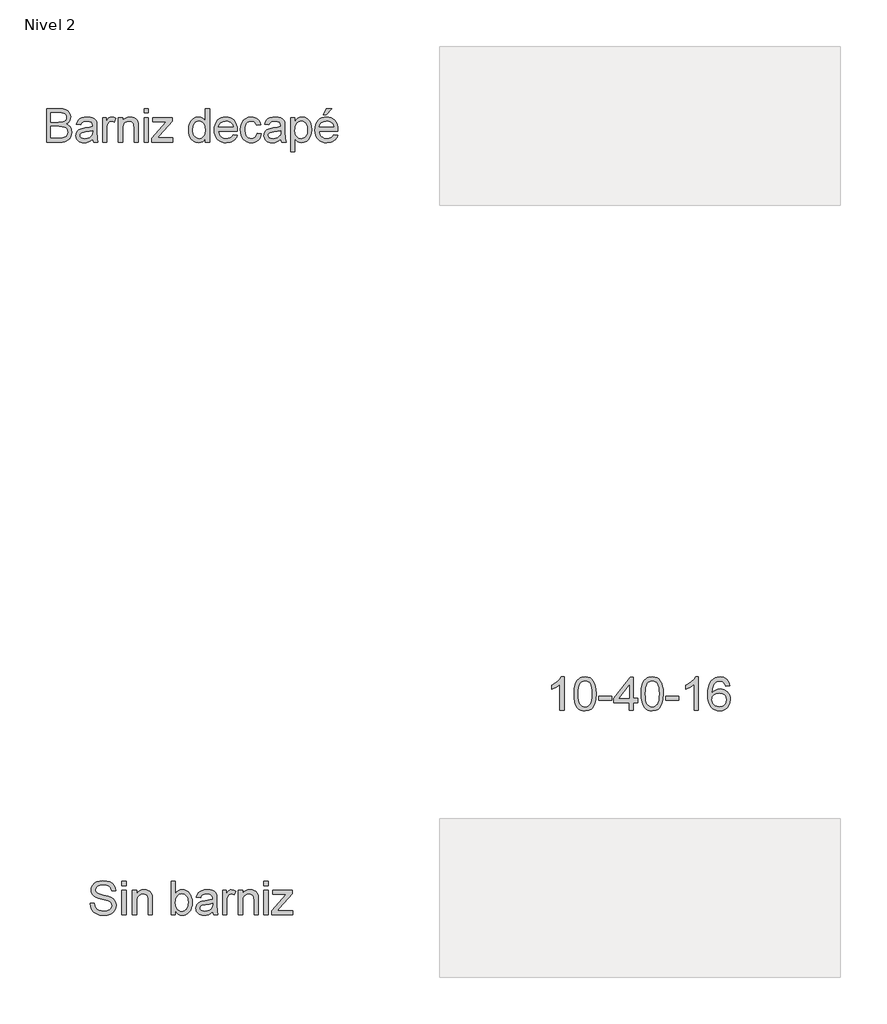
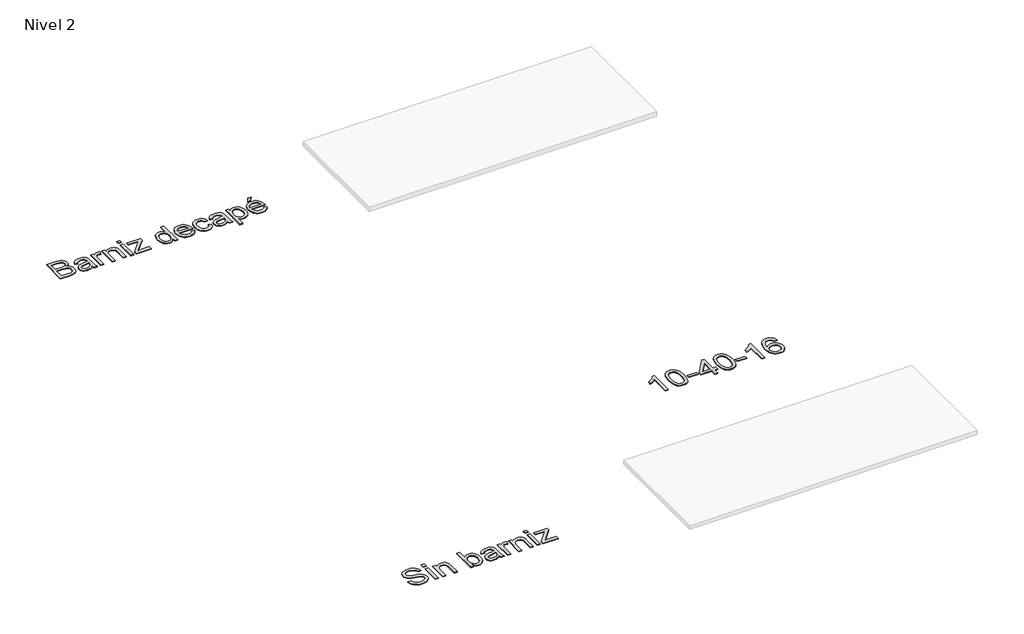
# One storey, part 11 of 51: 3 proxies.
"""IFC4 building model written with IfcOpenShell, lengths in millimetres."""

import ifcopenshell
import ifcopenshell.guid

model = None  # the IFC model being written
_history = None  # IfcOwnerHistory: only IFC2X3 demands one
_inside = {}  # id of a spatial element -> (the spatial element, [elements in it])
_under = {}  # id of a project, library or spatial element -> (it, [spatial elements below it])
_declared = {}  # id of a project -> (the project, [libraries it declares])
_typed = {}  # id of a type object -> (the type object, [elements of that type])
_made_of = {}  # id of a material, layer set ... -> (it, [elements and type objects made of it])


def new_model(schema):
    """Start an empty IFC model of exactly this schema.

    Asked for "IFC4X3", IfcOpenShell would pick the latest addendum, in which some entities
    have other attributes; the version numbers below select the first issue.
    IFC2X3 requires an IfcOwnerHistory on every rooted entity: one is made here for all.
    """
    global model, _history
    if schema == "IFC4X3":
        model = ifcopenshell.file(schema_version=(4, 3, 0, 0))
    else:
        model = ifcopenshell.file(schema=schema)
    _inside.clear()
    _under.clear()
    _declared.clear()
    _typed.clear()
    _made_of.clear()
    _history = None
    if model.schema == "IFC2X3":
        org = make("IfcOrganization", Name="unknown")
        user = make(
            "IfcPersonAndOrganization",
            ThePerson=make("IfcPerson", FamilyName="unknown"),
            TheOrganization=org,
        )
        app = make(
            "IfcApplication",
            ApplicationDeveloper=org,
            Version="unknown",
            ApplicationFullName="unknown",
            ApplicationIdentifier="unknown",
        )
        _history = make(
            "IfcOwnerHistory",
            OwningUser=user,
            OwningApplication=app,
            ChangeAction="ADDED",
            CreationDate=0,
        )
    return model


def make(cls, **values):
    """One entity of the class cls with the attributes given. An attribute that is None is left unset."""
    return model.create_entity(
        cls, **{name: value for name, value in values.items() if value is not None}
    )


def rooted(cls, **values):
    """An entity with a GlobalId (a new one), such as an element, a storey or a relation."""
    return make(cls, GlobalId=ifcopenshell.guid.new(), OwnerHistory=_history, **values)


def si_unit(unit_type, name, prefix=None):
    """IfcSIUnit, for example si_unit("LENGTHUNIT", "METRE", prefix="MILLI")."""
    return make("IfcSIUnit", UnitType=unit_type, Prefix=prefix, Name=name)


def assignment(units):
    """IfcUnitAssignment: the units of a project."""
    return None if units is None else make("IfcUnitAssignment", Units=units)


def point(xyz):
    """IfcCartesianPoint."""
    return None if xyz is None else make("IfcCartesianPoint", Coordinates=xyz)


def direction(xyz):
    """IfcDirection."""
    return None if xyz is None else make("IfcDirection", DirectionRatios=xyz)


def frame(location, z_axis=None, x_axis=None):
    """IfcAxis2Placement3D, a coordinate frame: its origin and axes. An axis left out is left unset."""
    return make(
        "IfcAxis2Placement3D",
        Location=point(location),
        Axis=direction(z_axis),
        RefDirection=direction(x_axis),
    )


def origin():
    """The frame at (0, 0, 0) with its axes left unset."""
    return frame((0.0, 0.0, 0.0))


def place(relative_to, where):
    """IfcLocalPlacement: puts the frame where relative to a parent placement (None: the world)."""
    return make(
        "IfcLocalPlacement", PlacementRelTo=relative_to, RelativePlacement=where
    )


def context(
    kind, dimensions, precision=None, world=None, true_north=None, identifier=None
):
    """IfcGeometricRepresentationContext, for example the 3D "Model" context."""
    return make(
        "IfcGeometricRepresentationContext",
        ContextIdentifier=identifier,
        ContextType=kind,
        CoordinateSpaceDimension=dimensions,
        Precision=precision,
        WorldCoordinateSystem=world,
        TrueNorth=true_north,
    )


def project(units=None, contexts=None):
    """IfcProject with its units and contexts."""
    return rooted(
        "IfcProject",
        Name="project",
        RepresentationContexts=contexts,
        UnitsInContext=assignment(units),
    )


def spatial(cls, under=None, at=None, **own):
    """A site, building, storey or space (cls), placed at a placement, below another one or the project."""
    s = rooted(cls, ObjectPlacement=at, **own)
    if under is not None:
        _under.setdefault(under.id(), (under, []))[1].append(s)
    return s


def polyline(points):
    """IfcPolyline through the points."""
    return make("IfcPolyline", Points=[point(p) for p in points])


def outline(outer, holes=None, kind="AREA"):
    """IfcArbitraryClosedProfileDef: a profile drawn as a closed curve; with holes, ...WithVoids."""
    if holes is None:
        return make("IfcArbitraryClosedProfileDef", ProfileType=kind, OuterCurve=outer)
    return make(
        "IfcArbitraryProfileDefWithVoids",
        ProfileType=kind,
        OuterCurve=outer,
        InnerCurves=holes,
    )


def extrude(swept, where, along, depth):
    """IfcExtrudedAreaSolid: the profile swept, set in the frame where, extruded along a direction by depth."""
    return make(
        "IfcExtrudedAreaSolid",
        SweptArea=swept,
        Position=where,
        ExtrudedDirection=direction(along),
        Depth=depth,
    )


def shape(context_of_items, identifier, shape_type, items):
    """IfcShapeRepresentation: the items that make up one representation, for example the "Body"."""
    return make(
        "IfcShapeRepresentation",
        ContextOfItems=context_of_items,
        RepresentationIdentifier=identifier,
        RepresentationType=shape_type,
        Items=items,
    )


def made_of(thing, what):
    """Note that an element or type object is made of a material, layer set ...; save() writes the relation."""
    if what is not None:
        _made_of.setdefault(what.id(), (what, []))[1].append(thing)
    return thing


def element(
    cls,
    number,
    at=None,
    inside=None,
    cuts=None,
    type_object=None,
    material=None,
    context=None,
    identifier="Body",
    shape_type=None,
    held_by="IfcProductDefinitionShape",
    body=None,
    shapes=None,
    **own,
):
    """One element of the class cls, such as IfcWall. Its Tag is "e" and its number.

    at: its placement. inside: the storey or other place that contains it. cuts: it is an
    opening in that element (IfcRelVoidsElement). A single representation is given by context,
    identifier, shape_type and body (its items); several are given by shapes. held_by: the class
    of the entity that holds the representations. save() writes the other relations.
    """
    e = rooted(cls, Tag="e%d" % number, ObjectPlacement=at, **own)
    if body is not None:
        shapes = [shape(context, identifier, shape_type, body)]
    if shapes is not None:
        e.Representation = make(held_by, Representations=shapes)
    if inside is not None:
        _inside.setdefault(inside.id(), (inside, []))[1].append(e)
    if cuts is not None:
        rooted(
            "IfcRelVoidsElement", RelatingBuildingElement=cuts, RelatedOpeningElement=e
        )
    if type_object is not None:
        _typed.setdefault(type_object.id(), (type_object, []))[1].append(e)
    return made_of(e, material)


def aggregate(whole, parts):
    """IfcRelAggregates: a whole, such as a stair, and the parts it consists of."""
    return rooted("IfcRelAggregates", RelatingObject=whole, RelatedObjects=parts)


def save(model, path):
    """Write the relations noted so far, then the file.

    IfcRelAggregates (storeys below a building ...), IfcRelContainedInSpatialStructure (elements
    in a storey), IfcRelDefinesByType, IfcRelAssociatesMaterial and IfcRelDeclares: one each for
    every whole, place, type object, material and project.
    """
    for whole, parts in _under.values():
        aggregate(whole, parts)
    for where, things in _inside.values():
        rooted(
            "IfcRelContainedInSpatialStructure",
            RelatedElements=things,
            RelatingStructure=where,
        )
    for kind, things in _typed.values():
        rooted("IfcRelDefinesByType", RelatedObjects=things, RelatingType=kind)
    for what, things in _made_of.values():
        rooted("IfcRelAssociatesMaterial", RelatedObjects=things, RelatingMaterial=what)
    for by, libraries in _declared.values():
        rooted("IfcRelDeclares", RelatingContext=by, RelatedDefinitions=libraries)
    model.write(path)


model = new_model("IFC4")

# Units and contexts
model_context = context("Model", 3, world=origin())
ifc_project = project(units=[si_unit("LENGTHUNIT", "METRE", prefix="MILLI")], contexts=[model_context])

# Site, building, storey
site = spatial("IfcSite", under=ifc_project)
building = spatial("IfcBuilding", under=site)
storey = spatial("IfcBuildingStorey", under=building, Name="Nivel 2", Elevation=3000.0)

# Proxies
placement = place(None, origin())
element("IfcBuildingElementProxy", 1, Name="Texto de modelo 1", ObjectType="Texto de modelo 1", at=placement, inside=storey, context=model_context, shape_type="SweptSolid", body=[
    extrude(outline(polyline([(-14807.4966963, -32305.1632381), (-14807.4966963, -31903.3379975), (-14654.1634807, -31903.3379975), (-14611.9919413, -31906.2933162), (-14579.0665027, -31915.1592723), (-14553.8297979, -31930.156595), (-14534.7244596, -31951.5060134), (-14522.6947183, -31976.620091), (-14518.6848046, -32002.9113909), (-14522.0570562, -32027.1057634), (-14532.1738111, -32049.8531335), (-14549.1086456, -32069.7555494), (-14572.9351361, -32085.4150597), (-14544.4733324, -32100.2774923), (-14523.4427451, -32122.8899723), (-14510.4565106, -32151.7564461), (-14506.1277658, -32185.3808605), (-14509.0830845, -32213.4012058), (-14517.9490406, -32239.3859374), (-14531.1805297, -32261.4833826), (-14547.2324474, -32277.8418686), (-14566.8896087, -32289.6876689), (-14590.9368284, -32298.2470566), (-14620.1589216, -32303.4341928), (-14655.3407031, -32305.1632381), (-14807.4966963, -32305.1632381)]), holes=[polyline([(-14757.2685412, -32066.5795015), (-14665.5432971, -32066.5795015), (-14611.9796786, -32062.2630195), (-14593.2299595, -32054.8195404), (-14579.7532158, -32043.672716), (-14571.6230237, -32028.9942244), (-14568.9129597, -32010.9557439), (-14571.4390827, -31993.4445609), (-14579.0174518, -31978.1897208), (-14591.3047104, -31966.2826069), (-14607.9575021, -31958.8146024), (-14633.513038, -31954.8782651), (-14672.5085295, -31953.5661526), (-14757.2685412, -31953.5661526), (-14757.2685412, -32066.5795015)]), polyline([(-14757.2685412, -32254.9350831), (-14654.2615825, -32254.9350831), (-14616.9828737, -32252.9730458), (-14585.443124, -32242.0346878), (-14573.8671039, -32232.604646), (-14564.5474267, -32219.7165134), (-14558.4037973, -32203.9466385), (-14556.3559209, -32185.8713698), (-14558.7594166, -32164.8775706), (-14565.9699037, -32146.8268274), (-14578.5637307, -32132.7124215), (-14597.117246, -32123.5276344), (-14623.3962831, -32118.4876511), (-14659.1666758, -32116.8076566), (-14757.2685412, -32116.8076566), (-14757.2685412, -32254.9350831)])]), frame((0.0, 0.0, 3000.0), z_axis=(0.0, 0.0, 1.0), x_axis=(1.0, 0.0, 0.0)), (0.0, 0.0, 1.0), 10.0),
    extrude(outline(polyline([(-14254.9869904, -32267.4921218), (-14278.9851593, -32288.0689881), (-14303.6945666, -32301.5334691), (-14329.6792982, -32308.9646854), (-14357.5034398, -32311.4417575), (-14379.8675994, -32309.9518354), (-14399.4787754, -32305.4820692), (-14416.3369678, -32298.0324588), (-14430.4421767, -32287.6030042), (-14441.5798041, -32274.8558931), (-14449.5352522, -32260.453313), (-14454.3085211, -32244.3952639), (-14455.8996107, -32226.6817458), (-14453.496115, -32205.8596249), (-14446.2856279, -32186.9504904), (-14435.1633289, -32170.7636826), (-14421.0243976, -32158.1085419), (-14404.4083942, -32148.5436101), (-14385.8548789, -32141.6274285), (-14342.3957525, -32134.0735849), (-14291.039426, -32126.1273338), (-14255.281296, -32116.8076566), (-14254.9869904, -32105.624044), (-14258.4450812, -32083.2077677), (-14268.8193535, -32068.5415388), (-14292.0204446, -32057.6522318), (-14324.3450093, -32054.0224628), (-14354.2660782, -32056.4382212), (-14375.1617755, -32063.6854965), (-14389.4110715, -32077.0886639), (-14399.3929363, -32097.9720985), (-14449.6210914, -32091.6935791), (-14440.9022881, -32064.2250568), (-14427.8915282, -32042.6426464), (-14409.3748011, -32026.1370075), (-14384.1380962, -32013.8987998), (-14353.2727968, -32006.3204307), (-14317.8702862, -32003.7943077), (-14283.914778, -32006.0261251), (-14256.9980787, -32012.7215774), (-14236.7032553, -32022.7892814), (-14222.6133749, -32035.1378537), (-14213.2691722, -32050.4049565), (-14207.211382, -32069.2282519), (-14204.7588354, -32113.1778876), (-14204.7588354, -32175.6687758), (-14202.2081869, -32262.9303851), (-14192.2017966, -32305.1632381), (-14242.4299517, -32305.1632381), (-14250.4743046, -32287.7011061), (-14254.9869904, -32267.4921218)]), holes=[polyline([(-14254.9869904, -32167.0358117), (-14288.7340321, -32175.3989957), (-14336.0191312, -32182.4378045), (-14379.2330029, -32190.5802594), (-14390.4779293, -32196.1475402), (-14398.8043251, -32203.8240112), (-14403.954673, -32213.0210611), (-14405.6714557, -32223.1500787), (-14401.9313221, -32238.0860877), (-14390.7109212, -32250.3242954), (-14372.2555078, -32258.4912757), (-14346.8103364, -32261.2136024), (-14319.8323235, -32258.2092328), (-14295.9935702, -32249.1961239), (-14276.6675027, -32235.9155839), (-14263.2275471, -32220.1089209), (-14257.2678588, -32203.8240112), (-14255.281296, -32181.2605822), (-14254.9869904, -32167.0358117)])]), frame((0.0, 0.0, 3000.0), z_axis=(0.0, 0.0, 1.0), x_axis=(1.0, 0.0, 0.0)), (0.0, 0.0, 1.0), 10.0),
    extrude(outline(polyline([(-14135.6951221, -32305.1632381), (-14135.6951221, -32010.0728271), (-14091.7454865, -32010.0728271), (-14091.7454865, -32053.7281572), (-14075.5096277, -32028.4178759), (-14060.5490933, -32013.5063924), (-14045.5395079, -32006.2223289), (-14029.1564963, -32003.7943077), (-14004.1405207, -32007.6693314), (-13978.7321375, -32019.2944024), (-13995.5075565, -32064.3231586), (-14013.1658923, -32056.5976367), (-14030.824228, -32054.0224628), (-14045.8215507, -32056.4995349), (-14059.2247181, -32063.9307512), (-14070.0527115, -32075.7520259), (-14077.3245122, -32091.3992735), (-14083.4313534, -32119.456407), (-14085.4669671, -32150.064189), (-14085.4669671, -32305.1632381), (-14135.6951221, -32305.1632381)])), frame((0.0, 0.0, 3000.0), z_axis=(0.0, 0.0, 1.0), x_axis=(1.0, 0.0, 0.0)), (0.0, 0.0, 1.0), 10.0),
    extrude(outline(polyline([(-13947.3395406, -32305.1632381), (-13947.3395406, -32010.0728271), (-13897.1113855, -32010.0728271), (-13897.1113855, -32051.2756105), (-13879.6615162, -32030.5025405), (-13858.7045052, -32015.6646334), (-13834.2403526, -32006.7618891), (-13806.2690582, -32003.7943077), (-13781.5105999, -32006.1855407), (-13758.8368063, -32013.3592396), (-13739.9276717, -32024.4202249), (-13726.4631907, -32038.4733171), (-13717.3274545, -32055.481728), (-13711.4045544, -32075.4086694), (-13708.755804, -32123.9690928), (-13708.755804, -32305.1632381), (-13758.9839591, -32305.1632381), (-13758.9839591, -32130.7381215), (-13760.4309616, -32104.7656526), (-13764.7719691, -32086.2979765), (-13772.7795339, -32073.0664874), (-13785.2262081, -32062.8025797), (-13801.1800239, -32056.217492), (-13819.7090138, -32054.0224628), (-13849.1273106, -32058.9520815), (-13874.2046, -32073.7409377), (-13884.2263187, -32085.8135985), (-13891.3846891, -32102.313106), (-13895.6797114, -32123.2394602), (-13897.1113855, -32148.592661), (-13897.1113855, -32305.1632381), (-13947.3395406, -32305.1632381)])), frame((0.0, 0.0, 3000.0), z_axis=(0.0, 0.0, 1.0), x_axis=(1.0, 0.0, 0.0)), (0.0, 0.0, 1.0), 10.0),
    extrude(outline(polyline([(-13639.6920908, -31953.5661526), (-13639.6920908, -31903.3379975), (-13589.4639357, -31903.3379975), (-13589.4639357, -31953.5661526), (-13639.6920908, -31953.5661526)])), frame((0.0, 0.0, 3000.0), z_axis=(0.0, 0.0, 1.0), x_axis=(1.0, 0.0, 0.0)), (0.0, 0.0, 1.0), 10.0),
    extrude(outline(polyline([(-13639.6920908, -32305.1632381), (-13639.6920908, -32010.0728271), (-13589.4639357, -32010.0728271), (-13589.4639357, -32305.1632381), (-13639.6920908, -32305.1632381)])), frame((0.0, 0.0, 3000.0), z_axis=(0.0, 0.0, 1.0), x_axis=(1.0, 0.0, 0.0)), (0.0, 0.0, 1.0), 10.0),
    extrude(outline(polyline([(-13545.5143, -32305.1632381), (-13545.5143, -32257.878139), (-13372.1683039, -32060.3009821), (-13423.4755795, -32060.3009821), (-13532.9572612, -32060.3009821), (-13532.9572612, -32010.0728271), (-13300.652044, -32010.0728271), (-13300.652044, -32052.7471385), (-13454.3776671, -32228.0551719), (-13477.9221148, -32254.9350831), (-13419.8458105, -32254.9350831), (-13294.3735246, -32254.9350831), (-13294.3735246, -32305.1632381), (-13545.5143, -32305.1632381)])), frame((0.0, 0.0, 3000.0), z_axis=(0.0, 0.0, 1.0), x_axis=(1.0, 0.0, 0.0)), (0.0, 0.0, 1.0), 10.0),
    extrude(outline(polyline([(-12905.1053228, -32305.1632381), (-12905.1053228, -32257.7800372), (-12920.1333023, -32281.2570398), (-12938.3373297, -32298.0263274), (-12959.717405, -32308.0879), (-12984.2735282, -32311.4417575), (-13016.7452456, -32306.5857152), (-13046.4701108, -32292.0175882), (-13071.6332393, -32268.7551833), (-13090.4197465, -32237.8163076), (-13102.118394, -32200.4517596), (-13106.0179431, -32157.9123382), (-13102.4249623, -32115.9002144), (-13091.6460198, -32077.9593179), (-13073.6933785, -32046.2478899), (-13048.5793009, -32022.9241714), (-13018.2045109, -32008.5767736), (-12984.4697319, -32003.7943077), (-12959.8952146, -32007.2156102), (-12938.1656514, -32017.4795179), (-12919.7470262, -32033.2126046), (-12905.1053228, -32053.0414441), (-12905.1053228, -31903.3379975), (-12854.8771677, -31903.3379975), (-12854.8771677, -32305.1632381), (-12905.1053228, -32305.1632381)]), holes=[polyline([(-13055.789788, -32157.7161345), (-13054.3734424, -32182.0729882), (-13050.1244053, -32203.1495609), (-13043.0426769, -32220.9458524), (-13033.1282571, -32235.4618628), (-13008.4311125, -32254.7756675), (-12994.5558299, -32259.6041187), (-12979.6627405, -32261.2136024), (-12964.6991403, -32259.6776951), (-12950.9066312, -32255.0699731), (-12926.834886, -32236.6390852), (-12917.3282021, -32222.7300801), (-12910.5377136, -32205.577582), (-12905.1053228, -32161.5421072), (-12910.6358155, -32113.3986168), (-12917.5489313, -32094.8634956), (-12927.2272935, -32080.0194571), (-12938.9290066, -32068.6457721), (-12951.9121753, -32060.5217113), (-12966.1767997, -32055.6472749), (-12981.7228797, -32054.0224628), (-12996.9102747, -32055.5828956), (-13010.7855573, -32060.2641939), (-13023.3487274, -32068.0663579), (-13034.5997851, -32078.9893875), (-13043.8704114, -32093.272406), (-13050.4922873, -32111.1545366), (-13055.789788, -32157.7161345)])]), frame((0.0, 0.0, 3000.0), z_axis=(0.0, 0.0, 1.0), x_axis=(1.0, 0.0, 0.0)), (0.0, 0.0, 1.0), 10.0),
    extrude(outline(polyline([(-12572.9324066, -32217.2639668), (-12523.6852702, -32223.5424861), (-12531.2360482, -32243.2670924), (-12541.4294451, -32260.6495167), (-12554.2654611, -32275.689759), (-12569.744096, -32288.3878192), (-12587.7059344, -32298.4739172), (-12607.9915608, -32305.6782729), (-12655.5341773, -32311.4417575), (-12686.6999136, -32308.9554884), (-12714.4688729, -32301.4966809), (-12738.8410551, -32289.0653352), (-12759.8164602, -32271.6614511), (-12776.6838497, -32249.7694067), (-12788.731985, -32223.8735799), (-12795.9608662, -32193.9739708), (-12798.3704933, -32160.0705792), (-12795.9363407, -32125.0175565), (-12788.6338831, -32094.1216002), (-12776.4631205, -32067.3827106), (-12759.4240527, -32044.8008874), (-12738.5038299, -32026.8605088), (-12714.6896021, -32014.0459526), (-12687.9813693, -32006.3572189), (-12658.3791314, -32003.7943077), (-12629.730321, -32006.3510876), (-12603.8222315, -32014.0214272), (-12580.6548628, -32026.8053265), (-12560.2282151, -32044.7027856), (-12543.5539636, -32067.2355578), (-12531.643784, -32093.9253965), (-12524.4976763, -32124.7723018), (-12522.1156404, -32159.7762736), (-12522.409946, -32173.3143311), (-12748.1423382, -32173.3143311), (-12745.2330048, -32193.3577684), (-12739.4480604, -32210.911871), (-12730.7875051, -32225.9766387), (-12719.2513388, -32238.5520715), (-12705.4772238, -32248.4664913), (-12690.1028221, -32255.5482197), (-12654.5531586, -32261.2136024), (-12627.8204003, -32258.5893775), (-12605.3060222, -32250.7167029), (-12587.0100243, -32237.105069), (-12572.9324066, -32217.2639668)]), holes=[polyline([(-12748.1423382, -32123.086176), (-12572.3437954, -32123.086176), (-12579.1373496, -32096.5496214), (-12592.4546778, -32077.5669105), (-12606.1521508, -32067.2662146), (-12621.7380847, -32059.9085747), (-12639.2124794, -32055.4939907), (-12658.5753351, -32054.0224628), (-12692.4327414, -32058.7190896), (-12720.4285612, -32072.80897), (-12739.8895188, -32094.7715251), (-12748.1423382, -32123.086176)])]), frame((0.0, 0.0, 3000.0), z_axis=(0.0, 0.0, 1.0), x_axis=(1.0, 0.0, 0.0)), (0.0, 0.0, 1.0), 10.0),
    extrude(outline(polyline([(-12283.5319038, -32198.4284086), (-12233.3037487, -32204.706928), (-12238.7667963, -32228.4077255), (-12247.30779, -32249.3800649), (-12258.9267296, -32267.6239462), (-12273.6236154, -32283.1393694), (-12290.7791791, -32295.5216642), (-12309.7741527, -32304.3661605), (-12330.6085364, -32309.6728583), (-12353.28233, -32311.4417575), (-12381.4528938, -32308.9738825), (-12406.7110585, -32301.5702573), (-12429.056824, -32289.2308821), (-12448.4901904, -32271.9557567), (-12464.2202114, -32250.0698437), (-12475.4559406, -32223.8981054), (-12482.1973782, -32193.4405419), (-12484.4445241, -32158.6971531), (-12480.6062886, -32113.9994907), (-12469.0915821, -32075.2615166), (-12449.7164637, -32043.9792843), (-12422.2969923, -32021.6488472), (-12389.4941811, -32008.2579426), (-12353.9690431, -32003.7943077), (-12331.6845912, -32005.3271493), (-12311.5277236, -32009.9256743), (-12293.4984401, -32017.5898825), (-12277.5967409, -32028.319774), (-12264.092406, -32041.8700942), (-12253.2552156, -32057.9955883), (-12245.0851696, -32076.6962564), (-12239.5822681, -32097.9720985), (-12289.8104231, -32104.2506178), (-12298.9216339, -32082.3371137), (-12313.1096162, -32066.6285525), (-12331.5895551, -32057.1739852), (-12353.5766356, -32054.0224628), (-12370.6432945, -32055.5736985), (-12386.0360903, -32060.2274057), (-12399.7550231, -32067.9835845), (-12411.8000927, -32078.8422347), (-12421.6072136, -32093.0547425), (-12428.6122999, -32110.8724938), (-12432.8153517, -32132.2954886), (-12434.216369, -32157.323727), (-12428.7349273, -32204.4003597), (-12421.8831251, -32222.3376726), (-12412.2906021, -32236.5409833), (-12400.4846557, -32247.3352542), (-12386.9925835, -32255.0454477), (-12371.8143856, -32259.6715638), (-12354.9500618, -32261.2136024), (-12328.9408047, -32257.3631042), (-12307.6159117, -32245.8116096), (-12292.1035542, -32226.2648129), (-12283.5319038, -32198.4284086)])), frame((0.0, 0.0, 3000.0), z_axis=(0.0, 0.0, 1.0), x_axis=(1.0, 0.0, 0.0)), (0.0, 0.0, 1.0), 10.0),
    extrude(outline(polyline([(-12000.9985315, -32267.4921218), (-12024.9967003, -32288.0689881), (-12049.7061076, -32301.5334691), (-12075.6908392, -32308.9646854), (-12103.5149808, -32311.4417575), (-12125.8791404, -32309.9518354), (-12145.4903164, -32305.4820692), (-12162.3485089, -32298.0324588), (-12176.4537177, -32287.6030042), (-12187.5913451, -32274.8558931), (-12195.5467932, -32260.453313), (-12200.3200621, -32244.3952639), (-12201.9111518, -32226.6817458), (-12199.5076561, -32205.8596249), (-12192.297169, -32186.9504904), (-12181.17487, -32170.7636826), (-12167.0359386, -32158.1085419), (-12150.4199352, -32148.5436101), (-12131.8664199, -32141.6274285), (-12088.4072935, -32134.0735849), (-12037.050967, -32126.1273338), (-12001.2928371, -32116.8076566), (-12000.9985315, -32105.624044), (-12004.4566222, -32083.2077677), (-12014.8308945, -32068.5415388), (-12038.0319856, -32057.6522318), (-12070.3565503, -32054.0224628), (-12100.2776192, -32056.4382212), (-12121.1733166, -32063.6854965), (-12135.4226125, -32077.0886639), (-12145.4044773, -32097.9720985), (-12195.6326324, -32091.6935791), (-12186.9138291, -32064.2250568), (-12173.9030692, -32042.6426464), (-12155.3863421, -32026.1370075), (-12130.1496372, -32013.8987998), (-12099.2843378, -32006.3204307), (-12063.8818272, -32003.7943077), (-12029.926319, -32006.0261251), (-12003.0096197, -32012.7215774), (-11982.7147963, -32022.7892814), (-11968.6249159, -32035.1378537), (-11959.2807132, -32050.4049565), (-11953.222923, -32069.2282519), (-11950.7703764, -32113.1778876), (-11950.7703764, -32175.6687758), (-11948.2197279, -32262.9303851), (-11938.2133376, -32305.1632381), (-11988.4414927, -32305.1632381), (-11996.4858457, -32287.7011061), (-12000.9985315, -32267.4921218)]), holes=[polyline([(-12000.9985315, -32167.0358117), (-12034.7455732, -32175.3989957), (-12082.0306723, -32182.4378045), (-12125.244544, -32190.5802594), (-12136.4894703, -32196.1475402), (-12144.8158661, -32203.8240112), (-12149.966214, -32213.0210611), (-12151.6829967, -32223.1500787), (-12147.9428631, -32238.0860877), (-12136.7224622, -32250.3242954), (-12118.2670488, -32258.4912757), (-12092.8218775, -32261.2136024), (-12065.8438645, -32258.2092328), (-12042.0051112, -32249.1961239), (-12022.6790437, -32235.9155839), (-12009.2390882, -32220.1089209), (-12003.2793998, -32203.8240112), (-12001.2928371, -32181.2605822), (-12000.9985315, -32167.0358117)])]), frame((0.0, 0.0, 3000.0), z_axis=(0.0, 0.0, 1.0), x_axis=(1.0, 0.0, 0.0)), (0.0, 0.0, 1.0), 10.0),
    extrude(outline(polyline([(-11881.7066632, -32418.1765871), (-11881.7066632, -32010.0728271), (-11831.4785081, -32010.0728271), (-11831.4785081, -32059.3199635), (-11815.0954966, -32035.0274891), (-11796.7504477, -32017.6757216), (-11775.3642411, -32007.2646612), (-11749.8577561, -32003.7943077), (-11715.8899852, -32008.65035), (-11686.1896455, -32023.218477), (-11662.0075356, -32046.6157719), (-11644.5944545, -32077.9593179), (-11634.0730295, -32114.9682466), (-11630.5658878, -32155.3616897), (-11634.5267506, -32198.318044), (-11646.409339, -32236.737187), (-11665.8335084, -32268.6693442), (-11692.4191139, -32292.164741), (-11723.3825152, -32306.6225034), (-11755.9400717, -32311.4417575), (-11779.0307983, -32308.2166587), (-11799.6444528, -32298.5413622), (-11817.2905258, -32283.936447), (-11831.4785081, -32265.922492), (-11831.4785081, -32418.1765871), (-11881.7066632, -32418.1765871)]), holes=[polyline([(-11831.4785081, -32159.9724774), (-11826.0461173, -32205.0012336), (-11819.2556288, -32222.4388402), (-11809.7489449, -32236.4919324), (-11785.7017252, -32255.0331849), (-11771.9398728, -32259.6684981), (-11757.0191923, -32261.2136024), (-11741.8839138, -32259.6133158), (-11727.8706755, -32254.8124557), (-11714.9794773, -32246.8110223), (-11703.2103191, -32235.6090156), (-11693.4031982, -32221.0470199), (-11686.3981119, -32202.9656199), (-11682.1950601, -32181.3648154), (-11680.7940429, -32156.2446065), (-11686.2632219, -32111.4611049), (-11693.0996956, -32093.8886083), (-11702.6707588, -32079.5289478), (-11726.6811904, -32060.399084), (-11740.2866928, -32055.6166181), (-11754.9590531, -32054.0224628), (-11769.5854281, -32055.7177856), (-11783.3472804, -32060.8037542), (-11808.2774169, -32081.1476285), (-11818.4278943, -32096.2461188), (-11825.6782353, -32114.4164236), (-11830.0284399, -32135.6585432), (-11831.4785081, -32159.9724774)])]), frame((0.0, 0.0, 3000.0), z_axis=(0.0, 0.0, 1.0), x_axis=(1.0, 0.0, 0.0)), (0.0, 0.0, 1.0), 10.0),
    extrude(outline(polyline([(-11492.4384613, -31978.6802302), (-11454.767345, -31903.3379975), (-11391.9821512, -31903.3379975), (-11454.767345, -31978.6802302), (-11492.4384613, -31978.6802302)])), frame((0.0, 0.0, 3000.0), z_axis=(0.0, 0.0, 1.0), x_axis=(1.0, 0.0, 0.0)), (0.0, 0.0, 1.0), 10.0),
    extrude(outline(polyline([(-11367.4566848, -32217.2639668), (-11318.2095484, -32223.5424861), (-11325.7603264, -32243.2670924), (-11335.9537233, -32260.6495167), (-11348.7897393, -32275.689759), (-11364.2683742, -32288.3878192), (-11382.2302126, -32298.4739172), (-11402.515839, -32305.6782729), (-11450.0584555, -32311.4417575), (-11481.2241918, -32308.9554884), (-11508.9931511, -32301.4966809), (-11533.3653333, -32289.0653352), (-11554.3407384, -32271.6614511), (-11571.2081279, -32249.7694067), (-11583.2562632, -32223.8735799), (-11590.4851444, -32193.9739708), (-11592.8947715, -32160.0705792), (-11590.4606189, -32125.0175565), (-11583.1581613, -32094.1216002), (-11570.9873987, -32067.3827106), (-11553.9483309, -32044.8008874), (-11533.0281081, -32026.8605088), (-11509.2138803, -32014.0459526), (-11482.5056475, -32006.3572189), (-11452.9034096, -32003.7943077), (-11424.2545992, -32006.3510876), (-11398.3465097, -32014.0214272), (-11375.1791411, -32026.8053265), (-11354.7524933, -32044.7027856), (-11338.0782418, -32067.2355578), (-11326.1680622, -32093.9253965), (-11319.0219545, -32124.7723018), (-11316.6399186, -32159.7762736), (-11316.9342242, -32173.3143311), (-11542.6666164, -32173.3143311), (-11539.757283, -32193.3577684), (-11533.9723386, -32210.911871), (-11525.3117833, -32225.9766387), (-11513.775617, -32238.5520715), (-11500.001502, -32248.4664913), (-11484.6271003, -32255.5482197), (-11449.0774368, -32261.2136024), (-11422.3446785, -32258.5893775), (-11399.8303004, -32250.7167029), (-11381.5343025, -32237.105069), (-11367.4566848, -32217.2639668)]), holes=[polyline([(-11542.6666164, -32123.086176), (-11366.8680736, -32123.086176), (-11373.6616278, -32096.5496214), (-11386.978956, -32077.5669105), (-11400.676429, -32067.2662146), (-11416.2623629, -32059.9085747), (-11433.7367576, -32055.4939907), (-11453.0996133, -32054.0224628), (-11486.9570196, -32058.7190896), (-11514.9528394, -32072.80897), (-11534.413797, -32094.7715251), (-11542.6666164, -32123.086176)])]), frame((0.0, 0.0, 3000.0), z_axis=(0.0, 0.0, 1.0), x_axis=(1.0, 0.0, 0.0)), (0.0, 0.0, 1.0), 10.0),
])
element("IfcBuildingElementProxy", 2, Name="Texto de modelo 1", ObjectType="Texto de modelo 1", at=placement, inside=storey, context=model_context, shape_type="SweptSolid", body=[
    extrude(outline(polyline([(-14286.3795874, -41425.4165146), (-14236.1514323, -41425.4165146), (-14230.3879477, -41453.2897071), (-14219.9646245, -41475.6937206), (-14203.7042403, -41493.4746837), (-14180.4295728, -41507.478725), (-14151.9800318, -41516.5654103), (-14120.1950274, -41519.5943053), (-14092.2114703, -41517.3011742), (-14067.7105294, -41510.4217809), (-14047.8571644, -41499.5324739), (-14033.8163349, -41485.2096015), (-14025.4654137, -41468.7652763), (-14022.6817732, -41451.5116108), (-14024.7664379, -41434.6994036), (-14031.0204318, -41420.1680648), (-14043.7246233, -41407.7704415), (-14065.1598809, -41397.3593811), (-14138.2948216, -41378.1804664), (-14186.3034219, -41365.4885376), (-14217.0215685, -41353.4097454), (-14242.0252815, -41336.5116991), (-14259.7449309, -41316.0329347), (-14270.3031442, -41292.4149106), (-14273.8225486, -41266.0990852), (-14269.4692783, -41236.6807883), (-14256.4094675, -41209.2490542), (-14234.9864726, -41185.9989121), (-14205.5436503, -41169.1253913), (-14170.2024533, -41158.8614836), (-14131.0843345, -41155.4401811), (-14088.7043286, -41159.0208991), (-14051.6218235, -41169.7630534), (-14021.1611943, -41187.4459146), (-13998.6468162, -41211.8487536), (-13984.3975203, -41241.4509915), (-13978.7321375, -41274.7320494), (-14028.9602926, -41274.7320494), (-14038.181868, -41244.7619295), (-14046.545052, -41232.9038665), (-14057.4098336, -41223.1304682), (-14087.4535298, -41210.0338691), (-14129.1222972, -41205.6683361), (-14171.7720831, -41209.9848182), (-14188.0753869, -41215.3804208), (-14201.0309645, -41222.9342644), (-14217.9535363, -41241.9905518), (-14223.5943935, -41264.6275572), (-14219.5967425, -41283.9290992), (-14207.6037895, -41299.4537194), (-14179.2523504, -41313.3351334), (-14125.59063, -41327.5108529), (-14070.212127, -41340.975334), (-14036.71034, -41352.7230323), (-14008.076858, -41370.9454538), (-13988.1008657, -41393.4353065), (-13976.36543, -41419.9473356), (-13972.4536181, -41450.2362865), (-13976.9540412, -41481.1996878), (-13990.4553104, -41510.3236791), (-14012.4056028, -41535.3887057), (-14042.2530954, -41554.1752129), (-14078.1461154, -41565.9106485), (-14118.2329901, -41569.8224604), (-14167.4433383, -41565.6040802), (-14207.947146, -41552.9489396), (-14240.210397, -41531.8079876), (-14264.6990751, -41502.1321733), (-14280.419899, -41465.9816359), (-14286.3795874, -41425.4165146)])), frame((0.0, 0.0, 3000.0), z_axis=(0.0, 0.0, 1.0), x_axis=(1.0, 0.0, 0.0)), (0.0, 0.0, 1.0), 10.0),
    extrude(outline(polyline([(-13903.3899049, -41211.9468555), (-13903.3899049, -41161.7187004), (-13853.1617498, -41161.7187004), (-13853.1617498, -41211.9468555), (-13903.3899049, -41211.9468555)])), frame((0.0, 0.0, 3000.0), z_axis=(0.0, 0.0, 1.0), x_axis=(1.0, 0.0, 0.0)), (0.0, 0.0, 1.0), 10.0),
    extrude(outline(polyline([(-13903.3899049, -41563.543941), (-13903.3899049, -41268.45353), (-13853.1617498, -41268.45353), (-13853.1617498, -41563.543941), (-13903.3899049, -41563.543941)])), frame((0.0, 0.0, 3000.0), z_axis=(0.0, 0.0, 1.0), x_axis=(1.0, 0.0, 0.0)), (0.0, 0.0, 1.0), 10.0),
    extrude(outline(polyline([(-13777.8195172, -41563.543941), (-13777.8195172, -41268.45353), (-13727.5913622, -41268.45353), (-13727.5913622, -41309.6563134), (-13710.1414929, -41288.8832434), (-13689.1844819, -41274.0453363), (-13664.7203292, -41265.142592), (-13636.7490348, -41262.1750106), (-13611.9905765, -41264.5662436), (-13589.3167829, -41271.7399425), (-13570.4076484, -41282.8009278), (-13556.9431673, -41296.85402), (-13547.8074311, -41313.8624309), (-13541.884531, -41333.7893723), (-13539.2357806, -41382.3497957), (-13539.2357806, -41563.543941), (-13589.4639357, -41563.543941), (-13589.4639357, -41389.1188244), (-13590.9109382, -41363.1463555), (-13595.2519458, -41344.6786794), (-13603.2595105, -41331.4471903), (-13615.7061847, -41321.1832826), (-13631.6600005, -41314.5981949), (-13650.1889904, -41312.4031657), (-13679.6072873, -41317.3327844), (-13704.6845766, -41332.1216406), (-13714.7062953, -41344.1943014), (-13721.8646658, -41360.6938089), (-13726.1596881, -41381.6201631), (-13727.5913622, -41406.9733639), (-13727.5913622, -41563.543941), (-13777.8195172, -41563.543941)])), frame((0.0, 0.0, 3000.0), z_axis=(0.0, 0.0, 1.0), x_axis=(1.0, 0.0, 0.0)), (0.0, 0.0, 1.0), 10.0),
    extrude(outline(polyline([(-13262.9809277, -41563.543941), (-13313.2090828, -41563.543941), (-13313.2090828, -41161.7187004), (-13262.9809277, -41161.7187004), (-13262.9809277, -41310.735434), (-13246.4630261, -41289.4902487), (-13227.811409, -41274.3151164), (-13207.0260762, -41265.210037), (-13184.107028, -41262.1750106), (-13158.232661, -41264.9096001), (-13133.780771, -41273.1133686), (-13112.1493097, -41286.2712813), (-13094.7362286, -41303.8683034), (-13081.0878066, -41325.7327566), (-13070.7503225, -41351.6929627), (-13064.2388112, -41380.6698012), (-13062.0683074, -41411.5841516), (-13064.3154533, -41447.2564424), (-13071.0568908, -41478.6367766), (-13082.2926201, -41505.7251541), (-13098.0226411, -41528.5215751), (-13116.9041845, -41546.5907124), (-13137.594481, -41559.4972391), (-13160.0935307, -41567.2411551), (-13184.4013335, -41569.8224604), (-13208.0745399, -41566.4931284), (-13229.0622078, -41556.5051322), (-13247.364337, -41539.8584719), (-13262.9809277, -41516.5531475), (-13262.9809277, -41563.543941)]), holes=[polyline([(-13262.9809277, -41413.9385963), (-13259.5473624, -41455.8280928), (-13249.2466666, -41484.1795319), (-13237.0759039, -41499.6734953), (-13222.9308412, -41510.740612), (-13206.8114784, -41517.380882), (-13188.7178156, -41519.5943053), (-13173.6959675, -41517.9633618), (-13159.7287144, -41513.0705313), (-13146.8160564, -41504.9158137), (-13134.9579934, -41493.4992092), (-13125.0435736, -41478.8513744), (-13117.9618452, -41461.0029662), (-13113.7128082, -41439.9539848), (-13112.2964625, -41415.7044299), (-13117.7288533, -41369.743706), (-13124.5193418, -41351.9504801), (-13134.0260257, -41337.6153451), (-13145.4579587, -41326.5850166), (-13158.0241945, -41318.7062105), (-13171.7247331, -41313.9789269), (-13186.5595746, -41312.4031657), (-13201.5814227, -41314.0341092), (-13215.5486758, -41318.9269397), (-13228.4613338, -41327.0816573), (-13240.3193968, -41338.4982619), (-13250.2338166, -41352.9989438), (-13257.315545, -41370.4058936), (-13261.564582, -41390.7191111), (-13262.9809277, -41413.9385963)])]), frame((0.0, 0.0, 3000.0), z_axis=(0.0, 0.0, 1.0), x_axis=(1.0, 0.0, 0.0)), (0.0, 0.0, 1.0), 10.0),
    extrude(outline(polyline([(-12817.2060514, -41525.8728247), (-12841.2042202, -41546.449691), (-12865.9136276, -41559.914172), (-12891.8983592, -41567.3453883), (-12919.7225008, -41569.8224604), (-12942.0866604, -41568.3325383), (-12961.6978364, -41563.8627721), (-12978.5560288, -41556.4131617), (-12992.6612377, -41545.9837071), (-13003.7988651, -41533.236596), (-13011.7543132, -41518.8340159), (-13016.5275821, -41502.7759668), (-13018.1186717, -41485.0624487), (-13015.715176, -41464.2403278), (-13008.5046889, -41445.3311933), (-12997.3823899, -41429.1443855), (-12983.2434586, -41416.4892448), (-12966.6274551, -41406.924313), (-12948.0739398, -41400.0081314), (-12904.6148135, -41392.4542878), (-12853.258487, -41384.5080367), (-12817.500357, -41375.1883595), (-12817.2060514, -41364.0047469), (-12820.6641422, -41341.5884706), (-12831.0384144, -41326.9222417), (-12854.2395056, -41316.0329347), (-12886.5640703, -41312.4031657), (-12916.4851392, -41314.8189241), (-12937.3808365, -41322.0661994), (-12951.6301325, -41335.4693668), (-12961.6119973, -41356.3528014), (-13011.8401523, -41350.074282), (-13003.1213491, -41322.6057597), (-12990.1105892, -41301.0233493), (-12971.5938621, -41284.5177104), (-12946.3571572, -41272.2795027), (-12915.4918578, -41264.7011336), (-12880.0893471, -41262.1750106), (-12846.133839, -41264.406828), (-12819.2171397, -41271.1022803), (-12798.9223163, -41281.1699843), (-12784.8324359, -41293.5185566), (-12775.4882332, -41308.7856594), (-12769.430443, -41327.6089548), (-12766.9778964, -41371.5585905), (-12766.9778964, -41434.0494787), (-12764.4272479, -41521.311088), (-12754.4208576, -41563.543941), (-12804.6490127, -41563.543941), (-12812.6933656, -41546.081809), (-12817.2060514, -41525.8728247)]), holes=[polyline([(-12817.2060514, -41425.4165146), (-12850.9530931, -41433.7796986), (-12898.2381922, -41440.8185074), (-12941.4520639, -41448.9609623), (-12952.6969903, -41454.5282431), (-12961.0233861, -41462.2047141), (-12966.173734, -41471.401764), (-12967.8905167, -41481.5307816), (-12964.150383, -41496.4667906), (-12952.9299822, -41508.7049983), (-12934.4745688, -41516.8719786), (-12909.0293974, -41519.5943053), (-12882.0513844, -41516.5899357), (-12858.2126312, -41507.5768268), (-12838.8865637, -41494.2962868), (-12825.4466081, -41478.4896238), (-12819.4869198, -41462.2047141), (-12817.500357, -41439.6412851), (-12817.2060514, -41425.4165146)])]), frame((0.0, 0.0, 3000.0), z_axis=(0.0, 0.0, 1.0), x_axis=(1.0, 0.0, 0.0)), (0.0, 0.0, 1.0), 10.0),
    extrude(outline(polyline([(-12697.9141831, -41563.543941), (-12697.9141831, -41268.45353), (-12653.9645474, -41268.45353), (-12653.9645474, -41312.1088601), (-12637.7286887, -41286.7985788), (-12622.7681542, -41271.8870953), (-12607.7585688, -41264.6030318), (-12591.3755573, -41262.1750106), (-12566.3595816, -41266.0500343), (-12540.9511985, -41277.6751053), (-12557.7266175, -41322.7038615), (-12575.3849533, -41314.9783396), (-12593.043289, -41312.4031657), (-12608.0406117, -41314.8802378), (-12621.4437791, -41322.3114541), (-12632.2717725, -41334.1327288), (-12639.5435732, -41349.7799764), (-12645.6504143, -41377.8371099), (-12647.6860281, -41408.4448919), (-12647.6860281, -41563.543941), (-12697.9141831, -41563.543941)])), frame((0.0, 0.0, 3000.0), z_axis=(0.0, 0.0, 1.0), x_axis=(1.0, 0.0, 0.0)), (0.0, 0.0, 1.0), 10.0),
    extrude(outline(polyline([(-12509.5586016, -41563.543941), (-12509.5586016, -41268.45353), (-12459.3304465, -41268.45353), (-12459.3304465, -41309.6563134), (-12441.8805772, -41288.8832434), (-12420.9235662, -41274.0453363), (-12396.4594135, -41265.142592), (-12368.4881192, -41262.1750106), (-12343.7296609, -41264.5662436), (-12321.0558673, -41271.7399425), (-12302.1467327, -41282.8009278), (-12288.6822517, -41296.85402), (-12279.5465155, -41313.8624309), (-12273.6236154, -41333.7893723), (-12270.974865, -41382.3497957), (-12270.974865, -41563.543941), (-12321.2030201, -41563.543941), (-12321.2030201, -41389.1188244), (-12322.6500226, -41363.1463555), (-12326.9910301, -41344.6786794), (-12334.9985949, -41331.4471903), (-12347.4452691, -41321.1832826), (-12363.3990849, -41314.5981949), (-12381.9280747, -41312.4031657), (-12411.3463716, -41317.3327844), (-12436.423661, -41332.1216406), (-12446.4453796, -41344.1943014), (-12453.6037501, -41360.6938089), (-12457.8987724, -41381.6201631), (-12459.3304465, -41406.9733639), (-12459.3304465, -41563.543941), (-12509.5586016, -41563.543941)])), frame((0.0, 0.0, 3000.0), z_axis=(0.0, 0.0, 1.0), x_axis=(1.0, 0.0, 0.0)), (0.0, 0.0, 1.0), 10.0),
    extrude(outline(polyline([(-12201.9111518, -41211.9468555), (-12201.9111518, -41161.7187004), (-12151.6829967, -41161.7187004), (-12151.6829967, -41211.9468555), (-12201.9111518, -41211.9468555)])), frame((0.0, 0.0, 3000.0), z_axis=(0.0, 0.0, 1.0), x_axis=(1.0, 0.0, 0.0)), (0.0, 0.0, 1.0), 10.0),
    extrude(outline(polyline([(-12201.9111518, -41563.543941), (-12201.9111518, -41268.45353), (-12151.6829967, -41268.45353), (-12151.6829967, -41563.543941), (-12201.9111518, -41563.543941)])), frame((0.0, 0.0, 3000.0), z_axis=(0.0, 0.0, 1.0), x_axis=(1.0, 0.0, 0.0)), (0.0, 0.0, 1.0), 10.0),
    extrude(outline(polyline([(-12107.733361, -41563.543941), (-12107.733361, -41516.2588419), (-11934.3873649, -41318.681685), (-11985.6946405, -41318.681685), (-12095.1763222, -41318.681685), (-12095.1763222, -41268.45353), (-11862.871105, -41268.45353), (-11862.871105, -41311.1278414), (-12016.5967281, -41486.4358748), (-12040.1411757, -41513.315786), (-11982.0648714, -41513.315786), (-11856.5925856, -41513.315786), (-11856.5925856, -41563.543941), (-12107.733361, -41563.543941)])), frame((0.0, 0.0, 3000.0), z_axis=(0.0, 0.0, 1.0), x_axis=(1.0, 0.0, 0.0)), (0.0, 0.0, 1.0), 10.0),
])
element("IfcBuildingElementProxy", 3, Name="Texto de modelo 1", ObjectType="Texto de modelo 1", at=placement, inside=storey, context=model_context, shape_type="SweptSolid", body=[
    extrude(outline(polyline([(-8605.2655998, -39113.543941), (-8655.4937549, -39113.543941), (-8655.4937549, -38800.4027867), (-8676.4630286, -38817.3621467), (-8703.0731596, -38834.2969812), (-8755.950065, -38859.6563134), (-8755.950065, -38812.1750106), (-8716.5008524, -38790.7152275), (-8682.3246151, -38765.1842171), (-8655.3833903, -38738.0345258), (-8637.6392154, -38711.7187004), (-8605.2655998, -38711.7187004), (-8605.2655998, -39113.543941)])), frame((0.0, 0.0, 3000.0), z_axis=(0.0, 0.0, 1.0), x_axis=(1.0, 0.0, 0.0)), (0.0, 0.0, 1.0), 10.0),
    extrude(outline(polyline([(-8485.9737315, -38915.8686823), (-8482.2826488, -38851.5506468), (-8471.2094008, -38800.2556339), (-8452.8643519, -38761.1988288), (-8441.006289, -38745.9654485), (-8427.357867, -38733.5954164), (-8411.8731006, -38724.0243532), (-8394.5060048, -38717.1878794), (-8354.1248244, -38711.7187004), (-8323.1736859, -38714.956062), (-8295.4599089, -38724.6681467), (-8272.2833433, -38740.4748097), (-8254.9438385, -38761.9959064), (-8241.8472395, -38789.0474958), (-8231.3993909, -38821.4456369), (-8224.5567857, -38862.5871067), (-8222.2759174, -38915.8686823), (-8225.9302119, -38979.8188358), (-8236.8930953, -39030.9912213), (-8255.1277795, -39070.0848147), (-8266.9582514, -39085.3641802), (-8280.5974763, -39097.7985916), (-8296.1006368, -39107.4340342), (-8313.5229149, -39114.3164932), (-8354.1248244, -39119.8224604), (-8381.7895505, -39117.4312275), (-8406.3150168, -39110.2575285), (-8427.7012235, -39098.3013637), (-8445.9481704, -39081.5627329), (-8463.4593534, -39051.3044388), (-8475.9673412, -39013.6026657), (-8483.4721339, -38968.4574135), (-8485.9737315, -38915.8686823)]), holes=[polyline([(-8435.7455764, -38915.7705804), (-8434.2740485, -38959.4351076), (-8429.8594645, -38994.7793703), (-8422.5018246, -39021.8033685), (-8412.2011287, -39040.5071023), (-8399.7421918, -39053.2327536), (-8385.9098288, -39062.3225046), (-8370.7040397, -39067.7763552), (-8354.1248244, -39069.5943053), (-8337.5456092, -39067.7702238), (-8322.3398201, -39062.2979791), (-8308.507457, -39053.1775713), (-8296.0485201, -39040.4090004), (-8285.7478243, -39021.6746098), (-8278.3901844, -38994.6567429), (-8273.9756004, -38959.3553998), (-8272.5040724, -38915.7705804), (-8273.9265495, -38873.2618159), (-8278.1939806, -38838.5398869), (-8285.3063659, -38811.6047935), (-8295.2637052, -38792.4565356), (-8307.5141757, -38779.1085506), (-8321.5059542, -38769.5742755), (-8337.2390409, -38763.8537105), (-8354.7134356, -38761.9468555), (-8371.2068118, -38763.62685), (-8386.1550835, -38768.6668333), (-8399.5582508, -38777.0668055), (-8411.4163138, -38788.8267666), (-8422.0603662, -38809.673413), (-8429.6632608, -38837.7795975), (-8434.2249975, -38873.1453199), (-8435.7455764, -38915.7705804)])]), frame((0.0, 0.0, 3000.0), z_axis=(0.0, 0.0, 1.0), x_axis=(1.0, 0.0, 0.0)), (0.0, 0.0, 1.0), 10.0),
    extrude(outline(polyline([(-8190.8833205, -38994.2520727), (-8190.8833205, -38944.0239177), (-8033.9203358, -38944.0239177), (-8033.9203358, -38994.2520727), (-8190.8833205, -38994.2520727)])), frame((0.0, 0.0, 3000.0), z_axis=(0.0, 0.0, 1.0), x_axis=(1.0, 0.0, 0.0)), (0.0, 0.0, 1.0), 10.0),
    extrude(outline(polyline([(-7826.7291962, -39113.543941), (-7826.7291962, -39019.3661503), (-8008.8062583, -39019.3661503), (-8008.8062583, -38969.1379952), (-7814.1721574, -38717.9972198), (-7776.5010411, -38717.9972198), (-7776.5010411, -38969.1379952), (-7726.272886, -38969.1379952), (-7726.272886, -39019.3661503), (-7776.5010411, -39019.3661503), (-7776.5010411, -39113.543941), (-7826.7291962, -39113.543941)]), holes=[polyline([(-7826.7291962, -38969.1379952), (-7826.7291962, -38813.9408442), (-7947.0020831, -38969.1379952), (-7826.7291962, -38969.1379952)])]), frame((0.0, 0.0, 3000.0), z_axis=(0.0, 0.0, 1.0), x_axis=(1.0, 0.0, 0.0)), (0.0, 0.0, 1.0), 10.0),
    extrude(outline(polyline([(-7682.3232503, -38915.8686823), (-7678.6321676, -38851.5506468), (-7667.5589196, -38800.2556339), (-7649.2138708, -38761.1988288), (-7637.3558078, -38745.9654485), (-7623.7073858, -38733.5954164), (-7608.2226194, -38724.0243532), (-7590.8555236, -38717.1878794), (-7550.4743432, -38711.7187004), (-7519.5232047, -38714.956062), (-7491.8094277, -38724.6681467), (-7468.6328621, -38740.4748097), (-7451.2933573, -38761.9959064), (-7438.1967583, -38789.0474958), (-7427.7489097, -38821.4456369), (-7420.9063045, -38862.5871067), (-7418.6254362, -38915.8686823), (-7422.2797307, -38979.8188358), (-7433.2426141, -39030.9912213), (-7451.4772983, -39070.0848147), (-7463.3077702, -39085.3641802), (-7476.9469951, -39097.7985916), (-7492.4501556, -39107.4340342), (-7509.8724337, -39114.3164932), (-7550.4743432, -39119.8224604), (-7578.1390693, -39117.4312275), (-7602.6645356, -39110.2575285), (-7624.0507423, -39098.3013637), (-7642.2976892, -39081.5627329), (-7659.8088722, -39051.3044388), (-7672.31686, -39013.6026657), (-7679.8216528, -38968.4574135), (-7682.3232503, -38915.8686823)]), holes=[polyline([(-7632.0950952, -38915.7705804), (-7630.6235673, -38959.4351076), (-7626.2089833, -38994.7793703), (-7618.8513434, -39021.8033685), (-7608.5506476, -39040.5071023), (-7596.0917106, -39053.2327536), (-7582.2593476, -39062.3225046), (-7567.0535585, -39067.7763552), (-7550.4743432, -39069.5943053), (-7533.895128, -39067.7702238), (-7518.6893389, -39062.2979791), (-7504.8569758, -39053.1775713), (-7492.3980389, -39040.4090004), (-7482.0973431, -39021.6746098), (-7474.7397032, -38994.6567429), (-7470.3251192, -38959.3553998), (-7468.8535913, -38915.7705804), (-7470.2760683, -38873.2618159), (-7474.5434994, -38838.5398869), (-7481.6558847, -38811.6047935), (-7491.613224, -38792.4565356), (-7503.8636945, -38779.1085506), (-7517.855473, -38769.5742755), (-7533.5885597, -38763.8537105), (-7551.0629544, -38761.9468555), (-7567.5563306, -38763.62685), (-7582.5046023, -38768.6668333), (-7595.9077697, -38777.0668055), (-7607.7658326, -38788.8267666), (-7618.409885, -38809.673413), (-7626.0127796, -38837.7795975), (-7630.5745163, -38873.1453199), (-7632.0950952, -38915.7705804)])]), frame((0.0, 0.0, 3000.0), z_axis=(0.0, 0.0, 1.0), x_axis=(1.0, 0.0, 0.0)), (0.0, 0.0, 1.0), 10.0),
    extrude(outline(polyline([(-7387.2328393, -38994.2520727), (-7387.2328393, -38944.0239177), (-7230.2698546, -38944.0239177), (-7230.2698546, -38994.2520727), (-7387.2328393, -38994.2520727)])), frame((0.0, 0.0, 3000.0), z_axis=(0.0, 0.0, 1.0), x_axis=(1.0, 0.0, 0.0)), (0.0, 0.0, 1.0), 10.0),
    extrude(outline(polyline([(-6997.9646374, -39113.543941), (-7048.1927925, -39113.543941), (-7048.1927925, -38800.4027867), (-7069.1620662, -38817.3621467), (-7095.7721972, -38834.2969812), (-7148.6491026, -38859.6563134), (-7148.6491026, -38812.1750106), (-7109.19989, -38790.7152275), (-7075.0236527, -38765.1842171), (-7048.0824279, -38738.0345258), (-7030.338253, -38711.7187004), (-6997.9646374, -38711.7187004), (-6997.9646374, -39113.543941)])), frame((0.0, 0.0, 3000.0), z_axis=(0.0, 0.0, 1.0), x_axis=(1.0, 0.0, 0.0)), (0.0, 0.0, 1.0), 10.0),
    extrude(outline(polyline([(-6621.2534744, -38818.45353), (-6671.4816294, -38824.7320494), (-6679.5750333, -38799.838701), (-6690.5133913, -38782.8425528), (-6713.2975496, -38767.1707798), (-6740.8396483, -38761.9468555), (-6764.1878922, -38764.9880133), (-6786.1627101, -38774.1114868), (-6805.0350564, -38793.3271897), (-6820.449312, -38819.7779052), (-6830.8603725, -38857.1915041), (-6834.7231334, -38909.2958573), (-6814.5754628, -38885.7881978), (-6790.4301412, -38869.2212453), (-6763.6360692, -38859.398796), (-6735.5421475, -38856.1246463), (-6711.4090886, -38858.3625951), (-6689.1399652, -38865.0764415), (-6668.7347772, -38876.2661855), (-6650.1935247, -38891.9318271), (-6634.7854004, -38911.1413987), (-6623.7795974, -38932.9629323), (-6617.1761156, -38957.3964282), (-6614.974955, -38984.4418862), (-6619.1197588, -39020.4084826), (-6631.5541702, -39053.7508541), (-6651.2481197, -39082.0287168), (-6677.1715376, -39102.8017868), (-6708.1472016, -39115.567292), (-6742.9978893, -39119.8224604), (-6772.940418, -39117.0020318), (-6799.9828104, -39108.5407459), (-6824.1250663, -39094.4386028), (-6845.3671858, -39074.6956023), (-6862.6852307, -39048.4778788), (-6875.0552628, -39014.9515663), (-6882.4772821, -38974.1166649), (-6884.9512885, -38925.9731744), (-6882.2044363, -38871.9987544), (-6873.9638796, -38825.9337972), (-6860.2296184, -38787.7783029), (-6841.0016528, -38757.5322716), (-6820.1611378, -38737.4888342), (-6795.9974221, -38723.1720932), (-6768.5105057, -38714.5820486), (-6737.7003886, -38711.7187004), (-6714.5667424, -38713.4906654), (-6693.6281255, -38718.8065602), (-6674.8845379, -38727.6663849), (-6658.3359795, -38740.0701395), (-6644.4300401, -38755.6008911), (-6633.6143094, -38773.8417067), (-6625.8887875, -38794.7925863), (-6621.2534744, -38818.45353)]), holes=[polyline([(-6834.7231334, -38983.6570713), (-6831.8168657, -39005.913932), (-6823.0980624, -39027.1652486), (-6809.560005, -39045.436721), (-6792.1959748, -39058.7540492), (-6771.2389638, -39066.8842413), (-6746.9219639, -39069.5943053), (-6713.7757962, -39063.9779736), (-6699.8606597, -39056.9575588), (-6687.7174882, -39047.1289782), (-6677.8674477, -39034.8907705), (-6670.8317046, -39020.6414745), (-6665.2031101, -38986.1096179), (-6670.7581282, -38952.9634501), (-6677.7019008, -38939.3426193), (-6687.4231826, -38927.6899571), (-6699.6031423, -38918.3549514), (-6713.9229489, -38911.6870903), (-6748.9821031, -38906.3528014), (-6782.0792199, -38911.6870903), (-6809.7562087, -38927.6899571), (-6820.6792383, -38939.1893351), (-6828.4814022, -38952.3503135), (-6833.1627006, -38967.1728922), (-6834.7231334, -38983.6570713)])]), frame((0.0, 0.0, 3000.0), z_axis=(0.0, 0.0, 1.0), x_axis=(1.0, 0.0, 0.0)), (0.0, 0.0, 1.0), 10.0),
])

save(model, "model.ifc")
